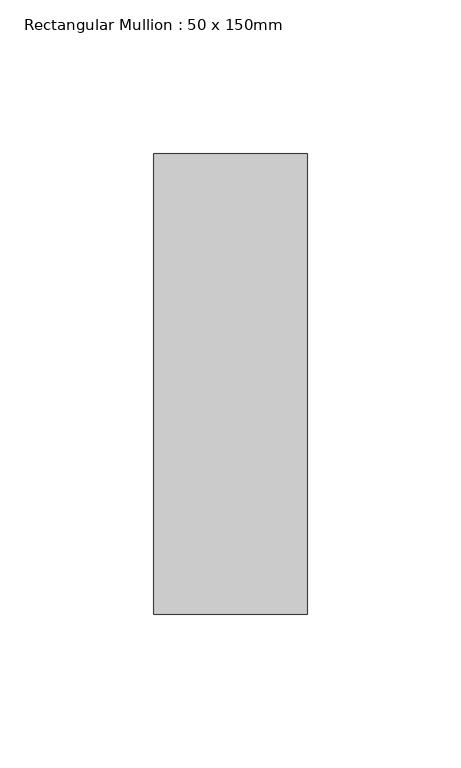
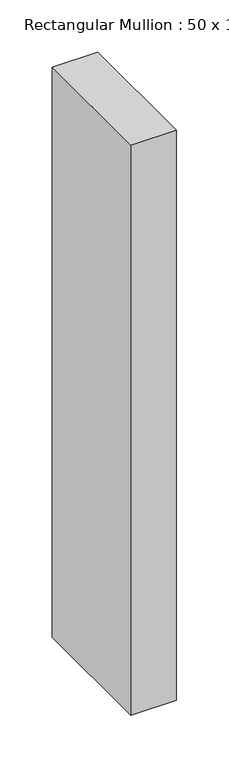
"""IFC4 building model written with IfcOpenShell, lengths in millimetres: member geometry, Rectangular Mullion : 50 x 150mm."""

from ifc_helpers import new_model, si_unit, frame, origin, place, context, project, spatial, polyline, outline, extrude, source, transform, mapped, element, save


def rectangular_mullion_50_x_150mm_2829d028(model_context):
    return source(origin(), model_context, "Body", "SweptSolid", [
        extrude(outline(polyline([(0.0, 75.0), (0.0, -75.0), (-50.0, -75.0), (-50.0, 75.0), (0.0, 75.0)])), frame((0.0, 0.0, -665.0), z_axis=(0.0, 0.0, 1.0), x_axis=(1.0, 0.0, 0.0)), (0.0, 0.0, 1.0), 665.0),
    ])


if __name__ == "__main__":
    model = new_model("IFC4")
    model_context = context("Model", 3, world=origin())
    ifc_project = project(units=[si_unit("LENGTHUNIT", "METRE", prefix="MILLI")], contexts=[model_context])
    site = spatial("IfcSite", under=ifc_project)
    building = spatial("IfcBuilding", under=site)
    placement = place(None, origin())
    rectangular_mullion_50_x_150mm_shape = rectangular_mullion_50_x_150mm_2829d028(model_context)
    element("IfcMember", 1, ObjectType="Rectangular Mullion : 50 x 150mm", at=placement, inside=building, context=model_context, shape_type="MappedRepresentation", body=[
        mapped(rectangular_mullion_50_x_150mm_shape, transform((0.0, 0.0, 0.0), x_axis=(1.0, 0.0, 0.0), y_axis=(0.0, 1.0, 0.0), z_axis=(0.0, 0.0, 1.0))),
    ])
    save(model, "model.ifc")
